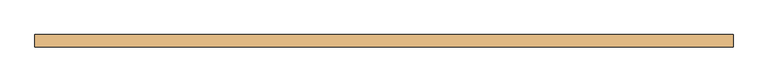
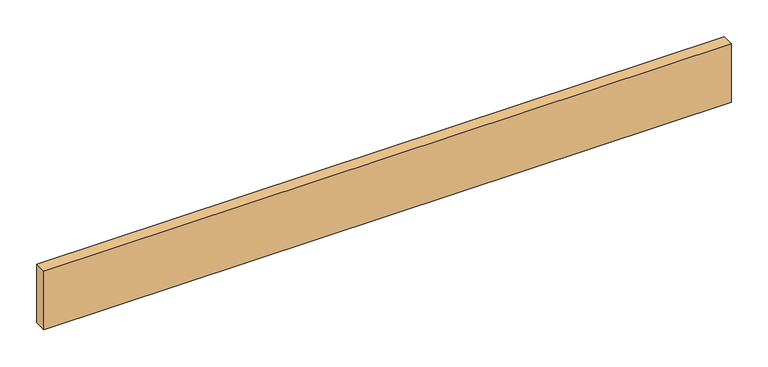
"""IFC4 building model written with IfcOpenShell, lengths in millimetres: door geometry."""

from ifc_helpers import new_model, si_unit, origin, origin_with_axes, place, context, project, spatial, polyline, outline, extrude, source, transform, mapped, element, save


def door_b543a624(model_context):
    return source(origin(), model_context, "Body", "SweptSolid", [
        extrude(outline(polyline([(536.7561264, 0.0), (536.7561264, -19.05), (-536.7561264, -19.05), (-536.7561264, 0.0), (536.7561264, 0.0)])), origin_with_axes(), (0.0, 0.0, 1.0), 96.52),
    ])


if __name__ == "__main__":
    model = new_model("IFC4")
    model_context = context("Model", 3, world=origin())
    ifc_project = project(units=[si_unit("LENGTHUNIT", "METRE", prefix="MILLI")], contexts=[model_context])
    site = spatial("IfcSite", under=ifc_project)
    building = spatial("IfcBuilding", under=site)
    placement = place(None, origin())
    door_shape = door_b543a624(model_context)
    element("IfcDoor", 1, at=placement, inside=building, context=model_context, shape_type="MappedRepresentation", body=[
        mapped(door_shape, transform((0.0, 0.0, 0.0), x_axis=(1.0, 0.0, 0.0), y_axis=(0.0, 1.0, 0.0), z_axis=(0.0, 0.0, 1.0))),
    ])
    save(model, "model.ifc")
